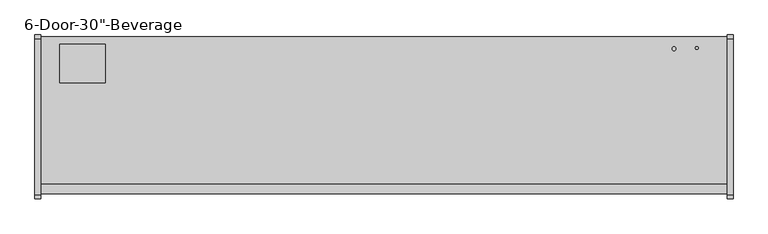
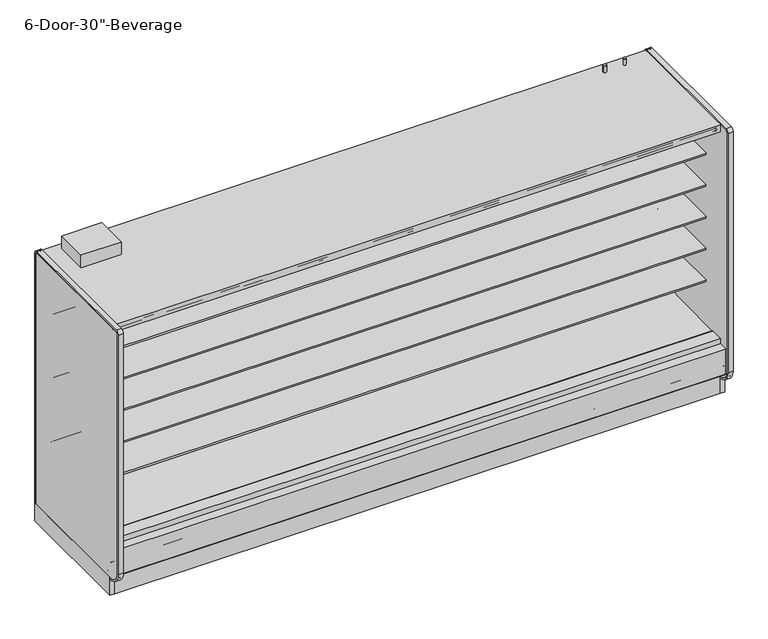
"""IFC4 building model written with IfcOpenShell, lengths in millimetres: proxy geometry."""

from ifc_helpers import new_model, si_unit, point, frame, frame_2d, origin, origin_with_axes, place, context, project, spatial, polyline, circle_curve, trimmed, segment, composite_curve, outline, extrude, source, transform, mapped, element, save
from ifc_brep_helpers import plane_surface, cylinder_surface, revolved_surface, advanced_brep


def proxy_34c1f638(model_context):
    return source(origin(), model_context, "Body", "SolidModel", [
        extrude(outline(polyline([(-1318.106026, 207.2507391), (-1305.4059832, 196.5941379), (-1305.4059832, 0.4239338), (-1318.106026, 0.4239338), (-1318.106026, 207.2507391)])), frame((0.0, 0.0, 0.0), z_axis=(1.0, 0.0, 0.0), x_axis=(0.0, 1.0, 0.0)), (0.0, 0.0, 1.0), 4572.0),
        extrude(outline(polyline([(0.0, -76.2), (0.0, 0.0), (304.8, 0.0), (304.8, -76.2), (0.0, -76.2)])), frame((304.8, -1257.8018226, 2069.9402149), z_axis=(0.0, 0.07985742909739812, 0.9968062956351922), x_axis=(-1.0, 0.0, 0.0)), (0.0, 0.0, 1.0), 12.7),
        extrude(outline(composite_curve([segment(polyline([(-1139.652044, 788.1304004), (-1139.652044, 801.6241504), (-453.852044, 801.6241504), (-453.852044, 700.8188557), (-465.2157046, 700.5975577)]), True, "CONTINUOUS"), segment(trimmed(circle_curve(frame_2d((-465.7036503, 725.6535856)), 25.0607786), [point((-465.2157046, 700.5975577))], [point((-481.6109729, 706.2886764))], False, "CARTESIAN"), True, "CONTINUOUS"), segment(polyline([(-481.6109729, 706.2886764), (-519.8326735, 737.3719449)]), True, "CONTINUOUS"), segment(trimmed(circle_curve(frame_2d((-559.8971466, 688.1064601)), 63.5), [point((-519.8326735, 737.3719449))], [point((-553.0441372, 751.2355839))], True, "CARTESIAN"), True, "CONTINUOUS"), segment(polyline([(-553.0441372, 751.2355839), (-968.6518104, 783.846074), (-968.6518104, 788.1304004), (-1139.652044, 788.1304004)]), True, "CONTINUOUS")], self_intersect=False)), frame((0.0, 0.0, 0.0), z_axis=(1.0, 0.0, 0.0), x_axis=(0.0, 1.0, 0.0)), (0.0, 0.0, 1.0), 4572.0),
        extrude(outline(composite_curve([segment(polyline([(-1139.652044, 1042.1304004), (-1139.652044, 1055.6241504), (-453.852044, 1055.6241504), (-453.852044, 954.8188557), (-465.2157046, 954.5975577)]), True, "CONTINUOUS"), segment(trimmed(circle_curve(frame_2d((-465.7036503, 979.6535856)), 25.0607786), [point((-465.2157046, 954.5975577))], [point((-481.6109729, 960.2886764))], False, "CARTESIAN"), True, "CONTINUOUS"), segment(polyline([(-481.6109729, 960.2886764), (-519.8326735, 991.3719449)]), True, "CONTINUOUS"), segment(trimmed(circle_curve(frame_2d((-559.8971466, 942.1064601)), 63.5), [point((-519.8326735, 991.3719449))], [point((-553.0441372, 1005.2355839))], True, "CARTESIAN"), True, "CONTINUOUS"), segment(polyline([(-553.0441372, 1005.2355839), (-968.6518104, 1037.846074), (-968.6518104, 1042.1304004), (-1139.652044, 1042.1304004)]), True, "CONTINUOUS")], self_intersect=False)), frame((0.0, 0.0, 0.0), z_axis=(1.0, 0.0, 0.0), x_axis=(0.0, 1.0, 0.0)), (0.0, 0.0, 1.0), 4572.0),
        extrude(outline(composite_curve([segment(polyline([(-1139.652044, 1296.1304004), (-1139.652044, 1309.6241504), (-453.852044, 1309.6241504), (-453.852044, 1208.8188557), (-465.2157046, 1208.5975577)]), True, "CONTINUOUS"), segment(trimmed(circle_curve(frame_2d((-465.7036503, 1233.6535856)), 25.0607786), [point((-465.2157046, 1208.5975577))], [point((-481.6109729, 1214.2886764))], False, "CARTESIAN"), True, "CONTINUOUS"), segment(polyline([(-481.6109729, 1214.2886764), (-519.8326735, 1245.3719449)]), True, "CONTINUOUS"), segment(trimmed(circle_curve(frame_2d((-559.8971466, 1196.1064601)), 63.5), [point((-519.8326735, 1245.3719449))], [point((-553.0441372, 1259.2355839))], True, "CARTESIAN"), True, "CONTINUOUS"), segment(polyline([(-553.0441372, 1259.2355839), (-968.6518104, 1291.846074), (-968.6518104, 1296.1304004), (-1139.652044, 1296.1304004)]), True, "CONTINUOUS")], self_intersect=False)), frame((0.0, 0.0, 0.0), z_axis=(1.0, 0.0, 0.0), x_axis=(0.0, 1.0, 0.0)), (0.0, 0.0, 1.0), 4572.0),
        extrude(outline(composite_curve([segment(polyline([(-1139.652044, 1550.1304004), (-1139.652044, 1563.6241504), (-453.852044, 1563.6241504), (-453.852044, 1462.8188557), (-465.2157046, 1462.5975577)]), True, "CONTINUOUS"), segment(trimmed(circle_curve(frame_2d((-465.7036503, 1487.6535856)), 25.0607786), [point((-465.2157046, 1462.5975577))], [point((-481.6109729, 1468.2886764))], False, "CARTESIAN"), True, "CONTINUOUS"), segment(polyline([(-481.6109729, 1468.2886764), (-519.8326735, 1499.3719449)]), True, "CONTINUOUS"), segment(trimmed(circle_curve(frame_2d((-559.8971466, 1450.1064601)), 63.5), [point((-519.8326735, 1499.3719449))], [point((-553.0441372, 1513.2355839))], True, "CARTESIAN"), True, "CONTINUOUS"), segment(polyline([(-553.0441372, 1513.2355839), (-968.6518104, 1545.846074), (-968.6518104, 1550.1304004), (-1139.652044, 1550.1304004)]), True, "CONTINUOUS")], self_intersect=False)), frame((0.0, 0.0, 0.0), z_axis=(1.0, 0.0, 0.0), x_axis=(0.0, 1.0, 0.0)), (0.0, 0.0, 1.0), 4572.0),
        extrude(outline(composite_curve([segment(polyline([(-1179.8089716, 2076.7249354), (-1179.8089716, 2078.925392), (-1258.0451873, 2084.3962012), (-1258.0451873, 2075.9223079)]), True, "CONTINUOUS"), segment(trimmed(circle_curve(frame_2d((-1260.5851873, 2075.9223079)), 2.54), [point((-1258.0451873, 2075.9223079))], [point((-1260.5851873, 2073.3823079))], False, "CARTESIAN"), True, "CONTINUOUS"), segment(polyline([(-1260.5851873, 2073.3823079), (-1269.8053873, 2073.3823079)]), True, "CONTINUOUS"), segment(trimmed(circle_curve(frame_2d((-1269.8053873, 2075.9223079)), 2.54), [point((-1269.8053873, 2073.3823079))], [point((-1272.3453873, 2075.9223079))], False, "CARTESIAN"), True, "CONTINUOUS"), segment(polyline([(-1272.3453873, 2075.9223079), (-1272.3453873, 2092.9469554)]), True, "CONTINUOUS"), segment(trimmed(circle_curve(frame_2d((-1274.8853873, 2092.9469554)), 2.54), [point((-1272.3453873, 2092.9469554))], [point((-1274.8853873, 2095.4869554))], True, "CARTESIAN"), True, "CONTINUOUS"), segment(polyline([(-1274.8853873, 2095.4869554), (-1288.8553873, 2095.4869554)]), True, "CONTINUOUS"), segment(trimmed(circle_curve(frame_2d((-1288.8553873, 2098.0269554)), 2.54), [point((-1288.8553873, 2095.4869554))], [point((-1291.3953873, 2098.0269554))], False, "CARTESIAN"), True, "CONTINUOUS"), segment(polyline([(-1291.3953873, 2098.0269554), (-1291.3953873, 2102.7701079), (-402.3474764, 2102.7701079), (-402.3474764, 418.2554484), (-453.852044, 418.2554484), (-453.852044, 2076.7249354), (-1179.8089716, 2076.7249354)]), True, "CONTINUOUS")], self_intersect=False)), frame((0.0, 0.0, 0.0), z_axis=(1.0, 0.0, 0.0), x_axis=(0.0, 1.0, 0.0)), (0.0, 0.0, 1.0), 4572.0),
        advanced_brep(
        [(4572.0, -1318.106026, 204.9450868), (4572.0, -1318.106026, 0.0), (4572.0, -1156.1809832, 0.0), (4572.0, -1156.1809832, 130.5306), (4572.0, -1226.6745247, 130.5306), (4572.0, -1377.1737273, 256.8144254), (4572.0, -1377.1737273, 391.9982), (4572.0, -1326.8776974, 391.9982), (4572.0, -1326.8776974, 404.6728), (4572.0, -1393.9631273, 404.6728), (4572.0, -1393.9631273, 201.3982889), (4572.0, -1384.4389382, 195.8985595), (4572.0, -1339.6997646, 221.7199387), (0.0, -1318.106026, 204.9450868), (0.0, -1339.6997646, 221.7199387), (0.0, -1384.4389382, 195.8985595), (0.0, -1393.9631273, 201.3982889), (0.0, -1393.9631273, 404.6728), (0.0, -1326.8776974, 404.6728), (0.0, -1326.8776974, 391.9982), (0.0, -1377.1737273, 391.9982), (0.0, -1377.1737273, 256.8144254), (0.0, -1226.6745247, 130.5306), (0.0, -1156.1809832, 130.5306), (0.0, -1156.1809832, 0.0), (0.0, -1318.106026, 0.0), (677.9753763, -1301.1164467, 0.0), (677.9753763, -1203.5310315, 0.0), (363.1798722, -1203.5310315, 0.0), (363.1798722, -1301.1164467, 0.0), (677.9753763, -1301.1164467, 50.8), (677.9753763, -1203.5310315, 50.8), (363.1798722, -1203.5310315, 50.8), (363.1798722, -1301.1164467, 50.8)],
        [
            (0, 1),
            (1, 2),
            (2, 3),
            (3, 4),
            (4, 5),
            (5, 6),
            (6, 7),
            (7, 8),
            (8, 9),
            (9, 10),
            (10, 11, circle_curve(frame((4572.0, -1387.6131273, 201.3982889), z_axis=(1.0, 0.0, 0.0), x_axis=(0.0, 1.0, 0.0)), 6.35)),
            (11, 12),
            (12, 0),
            (13, 14),
            (14, 15),
            (15, 16, circle_curve(frame((0.0, -1387.6131273, 201.3982889), z_axis=(-1.0, 0.0, 0.0), x_axis=(0.0, 1.0, 0.0)), 6.35)),
            (16, 17),
            (17, 18),
            (18, 19),
            (19, 20),
            (20, 21),
            (21, 22),
            (22, 23),
            (23, 24),
            (24, 25),
            (25, 13),
            (0, 13),
            (25, 1),
            (24, 2),
            (26, 27),
            (27, 28),
            (28, 29),
            (29, 26),
            (23, 3),
            (22, 4),
            (21, 5),
            (20, 6),
            (19, 7),
            (18, 8),
            (17, 9),
            (16, 10),
            (15, 11),
            (14, 12),
            (26, 30),
            (30, 31),
            (31, 27),
            (28, 32),
            (32, 33),
            (33, 29),
            (31, 32),
            (30, 33),
        ],
        [
            plane_surface(frame((4572.0, -1318.106026, 0.0), z_axis=(1.0, 0.0, 0.0), x_axis=(0.0, 0.0, -1.0))),
            plane_surface(frame((0.0, -1318.106026, 0.0), z_axis=(-1.0, 0.0, 0.0), x_axis=(0.0, 0.0, 1.0))),
            plane_surface(frame((4572.0, -1318.106026, 204.9450868), z_axis=(0.0, -1.0, 0.0), x_axis=(-1.0, 0.0, 0.0))),
            plane_surface(frame((4572.0, -1318.106026, 0.0), z_axis=(0.0, 0.0, -1.0), x_axis=(-1.0, 0.0, 0.0))),
            plane_surface(frame((4572.0, -1156.1809832, 0.0), z_axis=(0.0, 1.0, 0.0), x_axis=(-1.0, 0.0, 0.0))),
            plane_surface(frame((4572.0, -1156.1809832, 130.5306), z_axis=(0.0, 0.0, 1.0), x_axis=(-1.0, 0.0, 0.0))),
            plane_surface(frame((4572.0, -1226.6745247, 130.5306), z_axis=(0.0, 0.6427876096877188, 0.7660444431179884), x_axis=(-1.0, 0.0, 0.0))),
            plane_surface(frame((4572.0, -1377.1737273, 256.8144254), z_axis=(0.0, 1.0, 0.0), x_axis=(-1.0, 0.0, 0.0))),
            plane_surface(frame((4572.0, -1377.1737273, 391.9982), z_axis=(0.0, 0.0, -1.0), x_axis=(-1.0, 0.0, 0.0))),
            plane_surface(frame((4572.0, -1326.8776974, 391.9982), z_axis=(0.0, 1.0, 0.0), x_axis=(-1.0, 0.0, 0.0))),
            plane_surface(frame((4572.0, -1326.8776974, 404.6728), z_axis=(0.0, 0.0, 1.0), x_axis=(-1.0, 0.0, 0.0))),
            plane_surface(frame((4572.0, -1393.9631273, 404.6728), z_axis=(0.0, -1.0, 0.0), x_axis=(-1.0, 0.0, 0.0))),
            cylinder_surface(frame((0.0, -1387.6131273, 201.3982889), z_axis=(1.0, 0.0, 0.0), x_axis=(0.0, 1.0, 0.0)), 6.35),
            plane_surface(frame((4572.0, -1384.4389382, 195.8985595), z_axis=(0.0, 0.4998723022013517, -0.8660991175910068), x_axis=(-1.0, 0.0, 0.0))),
            plane_surface(frame((4572.0, -1339.6997646, 221.7199387), z_axis=(0.0, -0.6134784338805639, -0.7897114733644501), x_axis=(-1.0, 0.0, 0.0))),
            plane_surface(frame((677.9753763, -1207.3278954, 0.0), z_axis=(-1.0, 0.0, 0.0), x_axis=(0.0, 1.0, 0.0))),
            plane_surface(frame((363.1798722, -1207.3278954, 0.0), z_axis=(1.0, 0.0, 0.0), x_axis=(0.0, -1.0, 0.0))),
            plane_surface(frame((677.9753763, -1203.5310315, 0.0), z_axis=(0.0, -1.0, 0.0), x_axis=(-1.0, 0.0, 0.0))),
            plane_surface(frame((677.9753763, -1203.5310315, 50.8), z_axis=(0.0, 0.0, -1.0), x_axis=(-1.0, 0.0, 0.0))),
            plane_surface(frame((677.9753763, -1301.1164467, 50.8), z_axis=(0.0, 1.0, 0.0), x_axis=(-1.0, 0.0, 0.0))),
        ],
        [
            (0, [[1, 2, 3, 4, 5, 6, 7, 8, 9, 10, 11, 12, 13]]),
            (1, [[14, 15, 16, 17, 18, 19, 20, 21, 22, 23, 24, 25, 26]]),
            (2, [[-1, 27, -26, 28]]),
            (3, [[-2, -28, -25, 29], [30, 31, 32, 33]]),
            (4, [[-3, -29, -24, 34]]),
            (5, [[-4, -34, -23, 35]]),
            (6, [[-5, -35, -22, 36]]),
            (7, [[-6, -36, -21, 37]]),
            (8, [[-7, -37, -20, 38]]),
            (9, [[-8, -38, -19, 39]]),
            (10, [[-9, -39, -18, 40]]),
            (11, [[-10, -40, -17, 41]]),
            (12, [[-11, -41, -16, 42]]),
            (13, [[-12, -42, -15, 43]]),
            (14, [[-13, -43, -14, -27]]),
            (15, [[44, 45, 46, -30]]),
            (16, [[47, 48, 49, -32]]),
            (17, [[-46, 50, -47, -31]]),
            (18, [[-45, 51, -48, -50]]),
            (19, [[-44, -33, -49, -51]]),
        ],
    ),
        extrude(outline(composite_curve([segment(trimmed(circle_curve(frame_2d((354.0125, 4495.8)), 12.7), [point((341.3125, 4495.8))], [point((366.7125, 4495.8))], False, "CARTESIAN"), True, "CONTINUOUS"), segment(trimmed(circle_curve(frame_2d((354.0125, 4495.8)), 12.7), [point((366.7125, 4495.8))], [point((341.3125, 4495.8))], False, "CARTESIAN"), True, "CONTINUOUS")], self_intersect=False)), frame((0.0, -399.8071273, 0.0), z_axis=(0.0, 1.0, 0.0), x_axis=(0.0, 0.0, 1.0)), (0.0, 0.0, 1.0), 50.8),
        extrude(outline(composite_curve([segment(trimmed(circle_curve(frame_2d((354.0125, 4445.0)), 9.525), [point((344.4875, 4445.0))], [point((363.5375, 4445.0))], False, "CARTESIAN"), True, "CONTINUOUS"), segment(trimmed(circle_curve(frame_2d((354.0125, 4445.0)), 9.525), [point((363.5375, 4445.0))], [point((344.4875, 4445.0))], False, "CARTESIAN"), True, "CONTINUOUS")], self_intersect=False)), frame((0.0, -399.8071273, 0.0), z_axis=(0.0, 1.0, 0.0), x_axis=(0.0, 0.0, 1.0)), (0.0, 0.0, 1.0), 50.8),
        advanced_brep(
        [(4572.0, -349.0071273, 130.5306), (4572.0, -349.0071273, 2159.0692079), (4572.0, -1328.759197, 2159.0692079), (4572.0, -1328.759197, 2102.7701079), (4572.0, -402.3474764, 2102.7701079), (4572.0, -402.3474764, 358.6596808), (4572.0, -549.3331942, 211.7249958), (4572.0, -991.2928374, 196.2548056), (4572.0, -1033.515372, 165.5831237), (4572.0, -1035.4689267, 165.5149041), (4572.0, -1048.6488905, 157.9054484), (4572.0, -1108.9738905, 157.9054484), (4572.0, -1117.2097949, 162.6604501), (4572.0, -1119.3438463, 162.5859274), (4572.0, -1169.010644, 190.034038), (4572.0, -1325.2901974, 342.4428), (4572.0, -1325.2901974, 391.9982), (4572.0, -1377.1737273, 391.9982), (4572.0, -1377.1737273, 256.8144254), (4572.0, -1226.6745247, 130.5306), (0.0, -349.0071273, 130.5306), (0.0, -1226.6745247, 130.5306), (0.0, -1377.1737273, 256.8144254), (0.0, -1377.1737273, 391.9982), (0.0, -1325.2901974, 391.9982), (0.0, -1325.2901974, 342.4428), (0.0, -1169.010644, 190.034038), (0.0, -1119.3438463, 162.5859274), (0.0, -1117.2097949, 162.6604501), (0.0, -1108.9738905, 157.9054484), (0.0, -1048.6488905, 157.9054484), (0.0, -1035.4689267, 165.5149041), (0.0, -1033.515372, 165.5831237), (0.0, -991.2928374, 196.2548056), (0.0, -549.3331942, 211.7249958), (0.0, -402.3474764, 358.6596808), (0.0, -402.3474764, 2102.7701079), (0.0, -1328.759197, 2102.7701079), (0.0, -1328.759197, 2159.0692079), (0.0, -349.0071273, 2159.0692079), (4470.4, -349.0071273, 303.2125), (4470.4, -349.0071273, 404.8125), (4470.4, -399.8071273, 404.8125), (4470.4, -399.8071273, 303.2125)],
        [
            (0, 1),
            (1, 2),
            (2, 3),
            (3, 4),
            (4, 5),
            (5, 6, circle_curve(frame((4572.0, -554.6779329, 364.0573175), z_axis=(-1.0, 0.0, 0.0), x_axis=(0.0, 1.0, 0.0)), 152.4260557)),
            (6, 7),
            (7, 8),
            (8, 9),
            (9, 10),
            (10, 11),
            (11, 12),
            (12, 13),
            (13, 14),
            (14, 15, circle_curve(frame((4572.0, -1174.2931139, 340.9461144), z_axis=(-1.0, 0.0, 0.0), x_axis=(0.0, 1.0, 0.0)), 151.0045009)),
            (15, 16),
            (16, 17),
            (17, 18),
            (18, 19),
            (19, 0),
            (20, 21),
            (21, 22),
            (22, 23),
            (23, 24),
            (24, 25),
            (25, 26, circle_curve(frame((0.0, -1174.2931139, 340.9461144), z_axis=(1.0, 0.0, 0.0), x_axis=(0.0, 1.0, 0.0)), 151.0045009)),
            (26, 27),
            (27, 28),
            (28, 29),
            (29, 30),
            (30, 31),
            (31, 32),
            (32, 33),
            (33, 34),
            (34, 35, circle_curve(frame((0.0, -554.6779329, 364.0573175), z_axis=(1.0, 0.0, 0.0), x_axis=(0.0, 1.0, 0.0)), 152.4260557)),
            (35, 36),
            (36, 37),
            (37, 38),
            (38, 39),
            (39, 20),
            (0, 20),
            (39, 1),
            (40, 41, circle_curve(frame((4470.4, -349.0071273, 354.0125), z_axis=(0.0, -1.0, 0.0), x_axis=(0.0, 0.0, -1.0)), 50.8)),
            (41, 40, circle_curve(frame((4470.4, -349.0071273, 354.0125), z_axis=(0.0, -1.0, 0.0), x_axis=(0.0, 0.0, -1.0)), 50.8)),
            (38, 2),
            (37, 3),
            (36, 4),
            (6, 34),
            (33, 7),
            (32, 8),
            (31, 9),
            (30, 10),
            (29, 11),
            (28, 12),
            (27, 13),
            (26, 14),
            (25, 15),
            (24, 16),
            (23, 17),
            (22, 18),
            (21, 19),
            (35, 5),
            (42, 43, circle_curve(frame((4470.4, -399.8071273, 354.0125), z_axis=(0.0, 1.0, 0.0), x_axis=(0.0, 0.0, -1.0)), 50.8)),
            (43, 42, circle_curve(frame((4470.4, -399.8071273, 354.0125), z_axis=(0.0, 1.0, 0.0), x_axis=(0.0, 0.0, -1.0)), 50.8)),
            (42, 41),
            (40, 43),
        ],
        [
            plane_surface(frame((4572.0, -349.0071273, 2154.3067079), z_axis=(1.0, 0.0, 0.0), x_axis=(0.0, 0.0, 1.0))),
            plane_surface(frame((0.0, -349.0071273, 2154.3067079), z_axis=(-1.0, 0.0, 0.0), x_axis=(0.0, 0.0, -1.0))),
            plane_surface(frame((4572.0, -349.0071273, 130.5306), z_axis=(0.0, 1.0, 0.0), x_axis=(-1.0, 0.0, 0.0))),
            plane_surface(frame((4572.0, -349.0071273, 2159.0692079), z_axis=(0.0, 0.0, 1.0), x_axis=(-1.0, 0.0, 0.0))),
            plane_surface(frame((4572.0, -1328.759197, 2159.0692079), z_axis=(0.0, -1.0, 0.0), x_axis=(-1.0, 0.0, 0.0))),
            plane_surface(frame((4572.0, -1328.759197, 2102.7701079), z_axis=(0.0, 0.0, -1.0), x_axis=(-1.0, 0.0, 0.0))),
            plane_surface(frame((4572.0, -549.3331942, 211.7249958), z_axis=(0.0, -0.03498220179415916, 0.9993879354673203), x_axis=(-1.0, 0.0, 0.0))),
            plane_surface(frame((4572.0, -991.2928374, 196.2548056), z_axis=(0.0, -0.5877252382161511, 0.8090605937528836), x_axis=(-1.0, 0.0, 0.0))),
            plane_surface(frame((4572.0, -1033.515372, 165.5831237), z_axis=(0.0, -0.034899496717989933, 0.9993908270185549), x_axis=(-1.0, 0.0, 0.0))),
            plane_surface(frame((4572.0, -1035.4689267, 165.5149041), z_axis=(0.0, -0.5000000000128472, 0.8660254037770214), x_axis=(-1.0, 0.0, 0.0))),
            plane_surface(frame((4572.0, -1048.6488905, 157.9054484), z_axis=(0.0, 0.0, 1.0), x_axis=(-1.0, 0.0, 0.0))),
            plane_surface(frame((4572.0, -1108.9738905, 157.9054484), z_axis=(0.0, 0.49999999998692984, 0.8660254037919848), x_axis=(-1.0, 0.0, 0.0))),
            plane_surface(frame((4572.0, -1117.2097949, 162.6604501), z_axis=(0.0, -0.03489949671806632, 0.9993908270185522), x_axis=(-1.0, 0.0, 0.0))),
            plane_surface(frame((4572.0, -1119.3438463, 162.5859274), z_axis=(0.0, 0.483695152932422, 0.8752365389023021), x_axis=(-1.0, 0.0, 0.0))),
            revolved_surface(polyline([(0.0, -1023.2886129999999, 340.9461144), (4572.0, -1023.2886129999999, 340.9461144)]), (0.0, -1174.2931139, 340.9461144), (-1.0, 0.0, 0.0)),
            plane_surface(frame((4572.0, -1325.2901974, 342.4428), z_axis=(0.0, 1.0, 0.0), x_axis=(-1.0, 0.0, 0.0))),
            plane_surface(frame((4572.0, -1325.2901974, 391.9982), z_axis=(0.0, 0.0, 1.0), x_axis=(-1.0, 0.0, 0.0))),
            plane_surface(frame((4572.0, -1377.1737273, 391.9982), z_axis=(0.0, -1.0, 0.0), x_axis=(-1.0, 0.0, 0.0))),
            plane_surface(frame((4572.0, -1377.1737273, 256.8144254), z_axis=(0.0, -0.6427876096877191, -0.7660444431179881), x_axis=(-1.0, 0.0, 0.0))),
            plane_surface(frame((4572.0, -1226.6745247, 130.5306), z_axis=(0.0, 0.0, -1.0), x_axis=(-1.0, 0.0, 0.0))),
            plane_surface(frame((4572.0, -402.3474764, 2102.7701079), z_axis=(0.0, -1.0, 0.0), x_axis=(-1.0, 0.0, 0.0))),
            revolved_surface(polyline([(0.0, -402.25187719999997, 364.0573175), (4572.0, -402.25187719999997, 364.0573175)]), (0.0, -554.6779329, 364.0573175), (-1.0, 0.0, 0.0)),
            plane_surface(frame((4470.4, -399.8071273, 303.2125), z_axis=(0.0, 1.0, 0.0), x_axis=(1.0, 0.0, 0.0))),
            revolved_surface(polyline([(4470.4, -349.0071273, 303.2125), (4470.4, -399.8071273, 303.2125)]), (4470.4, -399.8071273, 354.0125), (0.0, 1.0, 0.0)),
        ],
        [
            (0, [[1, 2, 3, 4, 5, 6, 7, 8, 9, 10, 11, 12, 13, 14, 15, 16, 17, 18, 19, 20]]),
            (1, [[21, 22, 23, 24, 25, 26, 27, 28, 29, 30, 31, 32, 33, 34, 35, 36, 37, 38, 39, 40]]),
            (2, [[-1, 41, -40, 42], [43, 44]]),
            (3, [[-2, -42, -39, 45]]),
            (4, [[-3, -45, -38, 46]]),
            (5, [[-4, -46, -37, 47]]),
            (6, [[-7, 48, -34, 49]]),
            (7, [[-8, -49, -33, 50]]),
            (8, [[-9, -50, -32, 51]]),
            (9, [[-10, -51, -31, 52]]),
            (10, [[-11, -52, -30, 53]]),
            (11, [[-12, -53, -29, 54]]),
            (12, [[-13, -54, -28, 55]]),
            (13, [[-14, -55, -27, 56]]),
            (14, [[-15, -56, -26, 57]]),
            (15, [[-16, -57, -25, 58]]),
            (16, [[-17, -58, -24, 59]]),
            (17, [[-18, -59, -23, 60]]),
            (18, [[-19, -60, -22, 61]]),
            (19, [[-20, -61, -21, -41]]),
            (20, [[-5, -47, -36, 62]]),
            (21, [[-6, -62, -35, -48]]),
            (22, [[63, 64]]),
            (23, [[-63, 65, -43, 66]]),
            (23, [[-64, -66, -44, -65]]),
        ],
    ),
        advanced_brep(
        [(4572.0, -349.0071273, 0.0), (4572.0, -349.0071273, 130.5306), (4572.0, -1156.1809832, 130.5306), (4572.0, -1156.1809832, 0.0), (4572.0, -1108.6576273, 0.0), (4572.0, -1108.6576273, 74.8810382), (4572.0, -394.2191273, 74.8810382), (4572.0, -394.2191273, 0.0), (0.0, -349.0071273, 0.0), (0.0, -394.2191273, 0.0), (0.0, -394.2191273, 74.8810382), (0.0, -1108.6576273, 74.8810382), (0.0, -1108.6576273, 0.0), (0.0, -1156.1809832, 0.0), (0.0, -1156.1809832, 130.5306), (0.0, -349.0071273, 130.5306), (2249.9092567, -1108.6576273, 74.8810382), (2249.9092567, -1108.6576273, 127.0), (2322.0907433, -1108.6576273, 127.0), (2322.0907433, -1108.6576273, 74.8810382), (2420.0570331, -1108.6576273, 74.8810382), (2420.0570331, -1108.6576273, 127.0), (2498.0179669, -1108.6576273, 127.0), (2498.0179669, -1108.6576273, 74.8810382)],
        [
            (0, 1),
            (1, 2),
            (2, 3),
            (3, 4),
            (4, 5),
            (5, 6),
            (6, 7),
            (7, 0),
            (8, 9),
            (9, 10),
            (10, 11),
            (11, 12),
            (12, 13),
            (13, 14),
            (14, 15),
            (15, 8),
            (0, 8),
            (15, 1),
            (4, 12),
            (11, 16),
            (16, 17),
            (17, 18),
            (18, 19),
            (19, 20),
            (20, 21),
            (21, 22),
            (22, 23),
            (23, 5),
            (23, 20, circle_curve(frame((2459.0375, -1076.0821273, 74.8810382), z_axis=(0.0, 0.0, 1.0), x_axis=(1.0, 0.0, 0.0)), 50.8)),
            (19, 16, circle_curve(frame((2286.0, -1072.9071273, 74.8810382), z_axis=(0.0, 0.0, 1.0), x_axis=(1.0, 0.0, 0.0)), 50.8)),
            (10, 6),
            (9, 7),
            (17, 18, circle_curve(frame((2286.0, -1072.9071273, 127.0), z_axis=(0.0, 0.0, -1.0), x_axis=(1.0, 0.0, 0.0)), 50.8)),
            (21, 22, circle_curve(frame((2459.0375, -1076.0821273, 127.0), z_axis=(0.0, 0.0, -1.0), x_axis=(1.0, 0.0, 0.0)), 50.8)),
            (14, 2),
            (13, 3),
        ],
        [
            plane_surface(frame((4572.0, -349.0071273, 2438.4), z_axis=(1.0, 0.0, 0.0), x_axis=(0.0, 0.0, 1.0))),
            plane_surface(frame((0.0, -349.0071273, 2438.4), z_axis=(-1.0, 0.0, 0.0), x_axis=(0.0, 0.0, -1.0))),
            plane_surface(frame((4572.0, -349.0071273, 0.0), z_axis=(0.0, 1.0, 0.0), x_axis=(-1.0, 0.0, 0.0))),
            plane_surface(frame((4572.0, -1108.6576273, 0.0), z_axis=(0.0, 1.0, 0.0), x_axis=(-1.0, 0.0, 0.0))),
            plane_surface(frame((4572.0, -1108.6576273, 74.8810382), z_axis=(0.0, 0.0, -1.0), x_axis=(-1.0, 0.0, 0.0))),
            plane_surface(frame((4572.0, -394.2191273, 74.8810382), z_axis=(0.0, -1.0, 0.0), x_axis=(-1.0, 0.0, 0.0))),
            plane_surface(frame((4572.0, -394.2191273, 0.0), z_axis=(0.0, 0.0, -1.0), x_axis=(-1.0, 0.0, 0.0))),
            plane_surface(frame((2322.0907433, -1108.6576273, 127.0), z_axis=(0.0, 0.0, -1.0), x_axis=(1.0, 0.0, 0.0))),
            revolved_surface(polyline([(2336.8, -1072.9071273, 127.0), (2336.8, -1072.9071273, 74.8810382)]), (2286.0, -1072.9071273, 0.0), (0.0, 0.0, 1.0)),
            plane_surface(frame((2498.0179669, -1108.6576273, 127.0), z_axis=(0.0, 0.0, -1.0), x_axis=(1.0, 0.0, 0.0))),
            revolved_surface(polyline([(2509.8375, -1076.0821273, 127.0), (2509.8375, -1076.0821273, 74.8810382)]), (2459.0375, -1076.0821273, 0.0), (0.0, 0.0, 1.0)),
            plane_surface(frame((4572.0, -349.0071273, 130.5306), z_axis=(0.0, 0.0, 1.0), x_axis=(-1.0, 0.0, 0.0))),
            plane_surface(frame((4572.0, -1156.1809832, 130.5306), z_axis=(0.0, -1.0, 0.0), x_axis=(-1.0, 0.0, 0.0))),
            plane_surface(frame((4572.0, -1156.1809832, 0.0), z_axis=(0.0, 0.0, -1.0), x_axis=(-1.0, 0.0, 0.0))),
        ],
        [
            (0, [[1, 2, 3, 4, 5, 6, 7, 8]]),
            (1, [[9, 10, 11, 12, 13, 14, 15, 16]]),
            (2, [[-1, 17, -16, 18]]),
            (3, [[-5, 19, -12, 20, 21, 22, 23, 24, 25, 26, 27, 28]]),
            (4, [[-6, -28, 29, -24, 30, -20, -11, 31]]),
            (5, [[-7, -31, -10, 32]]),
            (6, [[-8, -32, -9, -17]]),
            (7, [[33, -22]]),
            (8, [[-33, -21, -30, -23]]),
            (9, [[34, -26]]),
            (10, [[-34, -25, -29, -27]]),
            (11, [[-2, -18, -15, 35]]),
            (12, [[-3, -35, -14, 36]]),
            (13, [[-19, -4, -36, -13]]),
        ],
    ),
        extrude(outline(composite_curve([segment(polyline([(-1139.652044, 1803.3473276), (-1139.652044, 1816.8410776), (-453.852044, 1816.8410776), (-453.852044, 1716.035783), (-465.2157046, 1715.814485)]), True, "CONTINUOUS"), segment(trimmed(circle_curve(frame_2d((-465.7036503, 1740.8705128)), 25.0607786), [point((-465.2157046, 1715.814485))], [point((-481.6109729, 1721.5056036))], False, "CARTESIAN"), True, "CONTINUOUS"), segment(polyline([(-481.6109729, 1721.5056036), (-519.8326735, 1752.5888722)]), True, "CONTINUOUS"), segment(trimmed(circle_curve(frame_2d((-559.8971466, 1703.3233874)), 63.5), [point((-519.8326735, 1752.5888722))], [point((-553.0441372, 1766.4525111))], True, "CARTESIAN"), True, "CONTINUOUS"), segment(polyline([(-553.0441372, 1766.4525111), (-968.6518104, 1799.0630012), (-968.6518104, 1803.3473276), (-1139.652044, 1803.3473276)]), True, "CONTINUOUS")], self_intersect=False)), frame((0.0, 0.0, 0.0), z_axis=(1.0, 0.0, 0.0), x_axis=(0.0, 1.0, 0.0)), (0.0, 0.0, 1.0), 4572.0),
        extrude(outline(polyline([(431.8, -399.8071273), (431.8, -653.8071273), (127.0, -653.8071273), (127.0, -399.8071273), (431.8, -399.8071273)])), frame((0.0, 0.0, 2159.6880358), z_axis=(0.0, 0.0, 1.0), x_axis=(1.0, 0.0, 0.0)), (0.0, 0.0, 1.0), 100.8085772),
        extrude(outline(composite_curve([segment(polyline([(-453.852044, 452.2592331), (-453.852044, 418.2554484), (-402.3474764, 418.2554484), (-402.3474764, 358.6596808)]), True, "CONTINUOUS"), segment(trimmed(circle_curve(frame_2d((-554.6779329, 364.0573175)), 152.4260557), [point((-402.3474764, 358.6596808))], [point((-549.3331942, 211.7249958))], False, "CARTESIAN"), True, "CONTINUOUS"), segment(polyline([(-549.3331942, 211.7249958), (-991.2928374, 196.2548056), (-1033.515372, 165.5831237), (-1035.4689267, 165.5149041), (-1048.6488905, 157.9054484), (-1108.9738905, 157.9054484), (-1117.2097949, 162.6604501), (-1119.3438463, 162.5859274), (-1169.010644, 190.034038)]), True, "CONTINUOUS"), segment(trimmed(circle_curve(frame_2d((-1174.2931139, 340.9461144)), 151.0045009), [point((-1169.010644, 190.034038))], [point((-1325.2901974, 342.4428))], False, "CARTESIAN"), True, "CONTINUOUS"), segment(polyline([(-1325.2901974, 342.4428), (-1325.2901974, 391.9982), (-1326.8776974, 391.9982), (-1326.8776974, 447.5353), (-1227.4661273, 447.5353)]), True, "CONTINUOUS"), segment(trimmed(circle_curve(frame_2d((-1227.4661273, 445.4779)), 2.0574), [point((-1227.4661273, 447.5353))], [point((-1225.4087273, 445.4779))], False, "CARTESIAN"), True, "CONTINUOUS"), segment(polyline([(-1225.4087273, 445.4779), (-1225.4087273, 438.3756667), (-453.852044, 452.2592331)]), True, "CONTINUOUS")], self_intersect=False)), frame((0.0, 0.0, 0.0), z_axis=(1.0, 0.0, 0.0), x_axis=(0.0, 1.0, 0.0)), (0.0, 0.0, 1.0), 4572.0),
        extrude(outline(composite_curve([segment(trimmed(circle_curve(frame_2d((4368.8, -423.7684604)), 9.525), [point((4359.275, -423.7684604))], [point((4378.325, -423.7684604))], False, "CARTESIAN"), True, "CONTINUOUS"), segment(trimmed(circle_curve(frame_2d((4368.8, -423.7684604)), 9.525), [point((4378.325, -423.7684604))], [point((4359.275, -423.7684604))], False, "CARTESIAN"), True, "CONTINUOUS")], self_intersect=False)), frame((0.0, 0.0, 2160.6567079), z_axis=(0.0, 0.0, 1.0), x_axis=(1.0, 0.0, 0.0)), (0.0, 0.0, 1.0), 50.8),
        extrude(outline(composite_curve([segment(trimmed(circle_curve(frame_2d((4216.4, -428.3821273)), 12.7), [point((4203.7, -428.3821273))], [point((4229.1, -428.3821273))], False, "CARTESIAN"), True, "CONTINUOUS"), segment(trimmed(circle_curve(frame_2d((4216.4, -428.3821273)), 12.7), [point((4229.1, -428.3821273))], [point((4203.7, -428.3821273))], False, "CARTESIAN"), True, "CONTINUOUS")], self_intersect=False)), frame((0.0, 0.0, 2160.6567079), z_axis=(0.0, 0.0, 1.0), x_axis=(1.0, 0.0, 0.0)), (0.0, 0.0, 1.0), 50.8),
        extrude(outline(composite_curve([segment(trimmed(circle_curve(frame_2d((-1325.3196273, 232.1306)), 88.9), [point((-1414.2196273, 232.1306))], [point((-1325.3196273, 143.2306))], True, "CARTESIAN"), True, "CONTINUOUS"), segment(polyline([(-1325.3196273, 143.2306), (-1318.106026, 143.2306), (-1318.106026, 130.7870064)]), True, "CONTINUOUS"), segment(trimmed(circle_curve(frame_2d((-1325.3196273, 232.1306)), 101.6), [point((-1318.106026, 130.7870064))], [point((-1426.9196273, 232.1306))], False, "CARTESIAN"), True, "CONTINUOUS"), segment(polyline([(-1426.9196273, 232.1306), (-1426.9196273, 2146.3692079)]), True, "CONTINUOUS"), segment(trimmed(circle_curve(frame_2d((-1401.5196273, 2146.3692079)), 25.4), [point((-1426.9196273, 2146.3692079))], [point((-1401.5196273, 2171.7692079))], False, "CARTESIAN"), True, "CONTINUOUS"), segment(polyline([(-1401.5196273, 2171.7692079), (-361.7071273, 2171.7692079)]), True, "CONTINUOUS"), segment(trimmed(circle_curve(frame_2d((-361.7071273, 2146.3692079)), 25.4), [point((-361.7071273, 2171.7692079))], [point((-336.3071273, 2146.3692079))], False, "CARTESIAN"), True, "CONTINUOUS"), segment(polyline([(-336.3071273, 2146.3692079), (-336.3071273, 143.2306), (-349.0071273, 143.2306), (-349.0071273, 2146.3692079)]), True, "CONTINUOUS"), segment(trimmed(circle_curve(frame_2d((-361.7071273, 2146.3692079)), 12.7), [point((-349.0071273, 2146.3692079))], [point((-361.7071273, 2159.0692079))], True, "CARTESIAN"), True, "CONTINUOUS"), segment(polyline([(-361.7071273, 2159.0692079), (-1401.5196273, 2159.0692079)]), True, "CONTINUOUS"), segment(trimmed(circle_curve(frame_2d((-1401.5196273, 2146.3692079)), 12.7), [point((-1401.5196273, 2159.0692079))], [point((-1414.2196273, 2146.3692079))], True, "CARTESIAN"), True, "CONTINUOUS"), segment(polyline([(-1414.2196273, 2146.3692079), (-1414.2196273, 232.1306)]), True, "CONTINUOUS")], self_intersect=False)), frame((4572.0, 0.0, 0.0), z_axis=(1.0, 0.0, 0.0), x_axis=(0.0, 1.0, 0.0)), (0.0, 0.0, 1.0), 38.1),
        extrude(outline(polyline([(4610.1, -336.3071273), (4610.1, -1318.106026), (4572.0, -1318.106026), (4572.0, -336.3071273), (4610.1, -336.3071273)])), origin_with_axes(), (0.0, 0.0, 1.0), 143.2306),
        extrude(outline(composite_curve([segment(polyline([(-1414.2196273, 232.1306), (-1414.2196273, 2146.3692079)]), True, "CONTINUOUS"), segment(trimmed(circle_curve(frame_2d((-1401.5196273, 2146.3692079)), 12.7), [point((-1414.2196273, 2146.3692079))], [point((-1401.5196273, 2159.0692079))], False, "CARTESIAN"), True, "CONTINUOUS"), segment(polyline([(-1401.5196273, 2159.0692079), (-361.7071273, 2159.0692079)]), True, "CONTINUOUS"), segment(trimmed(circle_curve(frame_2d((-361.7071273, 2146.3692079)), 12.7), [point((-361.7071273, 2159.0692079))], [point((-349.0071273, 2146.3692079))], False, "CARTESIAN"), True, "CONTINUOUS"), segment(polyline([(-349.0071273, 2146.3692079), (-349.0071273, 143.2306), (-1325.3196273, 143.2306)]), True, "CONTINUOUS"), segment(trimmed(circle_curve(frame_2d((-1325.3196273, 232.1306)), 88.9), [point((-1325.3196273, 143.2306))], [point((-1414.2196273, 232.1306))], False, "CARTESIAN"), True, "CONTINUOUS")], self_intersect=False)), frame((4572.0, 0.0, 0.0), z_axis=(1.0, 0.0, 0.0), x_axis=(0.0, 1.0, 0.0)), (0.0, 0.0, 1.0), 38.1),
        extrude(outline(composite_curve([segment(trimmed(circle_curve(frame_2d((-1325.3196273, 232.1306)), 88.9), [point((-1414.2196273, 232.1306))], [point((-1325.3196273, 143.2306))], True, "CARTESIAN"), True, "CONTINUOUS"), segment(polyline([(-1325.3196273, 143.2306), (-1318.106026, 143.2306), (-1318.106026, 130.7870064)]), True, "CONTINUOUS"), segment(trimmed(circle_curve(frame_2d((-1325.3196273, 232.1306)), 101.6), [point((-1318.106026, 130.7870064))], [point((-1426.9196273, 232.1306))], False, "CARTESIAN"), True, "CONTINUOUS"), segment(polyline([(-1426.9196273, 232.1306), (-1426.9196273, 2146.3692079)]), True, "CONTINUOUS"), segment(trimmed(circle_curve(frame_2d((-1401.5196273, 2146.3692079)), 25.4), [point((-1426.9196273, 2146.3692079))], [point((-1401.5196273, 2171.7692079))], False, "CARTESIAN"), True, "CONTINUOUS"), segment(polyline([(-1401.5196273, 2171.7692079), (-361.7071273, 2171.7692079)]), True, "CONTINUOUS"), segment(trimmed(circle_curve(frame_2d((-361.7071273, 2146.3692079)), 25.4), [point((-361.7071273, 2171.7692079))], [point((-336.3071273, 2146.3692079))], False, "CARTESIAN"), True, "CONTINUOUS"), segment(polyline([(-336.3071273, 2146.3692079), (-336.3071273, 143.2306), (-349.0071273, 143.2306), (-349.0071273, 2146.3692079)]), True, "CONTINUOUS"), segment(trimmed(circle_curve(frame_2d((-361.7071273, 2146.3692079)), 12.7), [point((-349.0071273, 2146.3692079))], [point((-361.7071273, 2159.0692079))], True, "CARTESIAN"), True, "CONTINUOUS"), segment(polyline([(-361.7071273, 2159.0692079), (-1401.5196273, 2159.0692079)]), True, "CONTINUOUS"), segment(trimmed(circle_curve(frame_2d((-1401.5196273, 2146.3692079)), 12.7), [point((-1401.5196273, 2159.0692079))], [point((-1414.2196273, 2146.3692079))], True, "CARTESIAN"), True, "CONTINUOUS"), segment(polyline([(-1414.2196273, 2146.3692079), (-1414.2196273, 232.1306)]), True, "CONTINUOUS")], self_intersect=False)), frame((-38.1, 0.0, 0.0), z_axis=(1.0, 0.0, 0.0), x_axis=(0.0, 1.0, 0.0)), (0.0, 0.0, 1.0), 38.1),
        extrude(outline(polyline([(673.1, -1207.3278954), (673.1, -1296.2278954), (368.3, -1296.2278954), (368.3, -1207.3278954), (673.1, -1207.3278954)])), frame((0.0, 0.0, 44.45), z_axis=(0.0, 0.0, 1.0), x_axis=(1.0, 0.0, 0.0)), (0.0, 0.0, 1.0), 6.35),
        extrude(outline(polyline([(0.0, -336.3071273), (0.0, -1318.106026), (-38.1, -1318.106026), (-38.1, -336.3071273), (0.0, -336.3071273)])), origin_with_axes(), (0.0, 0.0, 1.0), 143.2306),
        extrude(outline(composite_curve([segment(trimmed(circle_curve(frame_2d((2286.0, -1072.9071273)), 38.1), [point((2247.9, -1072.9071273))], [point((2324.1, -1072.9071273))], False, "CARTESIAN"), True, "CONTINUOUS"), segment(trimmed(circle_curve(frame_2d((2286.0, -1072.9071273)), 38.1), [point((2324.1, -1072.9071273))], [point((2247.9, -1072.9071273))], False, "CARTESIAN"), True, "CONTINUOUS")], self_intersect=False)), frame((0.0, 0.0, 61.2666507), z_axis=(0.0, 0.0, 1.0), x_axis=(1.0, 0.0, 0.0)), (0.0, 0.0, 1.0), 65.7333493),
        extrude(outline(composite_curve([segment(trimmed(circle_curve(frame_2d((2484.4375, -1076.0821273)), 12.7), [point((2471.7375, -1076.0821273))], [point((2497.1375, -1076.0821273))], False, "CARTESIAN"), True, "CONTINUOUS"), segment(trimmed(circle_curve(frame_2d((2484.4375, -1076.0821273)), 12.7), [point((2497.1375, -1076.0821273))], [point((2471.7375, -1076.0821273))], False, "CARTESIAN"), True, "CONTINUOUS")], self_intersect=False)), frame((0.0, 0.0, 61.2666507), z_axis=(0.0, 0.0, 1.0), x_axis=(1.0, 0.0, 0.0)), (0.0, 0.0, 1.0), 65.7333493),
        extrude(outline(composite_curve([segment(trimmed(circle_curve(frame_2d((2433.6375, -1076.0821273)), 9.525), [point((2424.1125, -1076.0821273))], [point((2443.1625, -1076.0821273))], False, "CARTESIAN"), True, "CONTINUOUS"), segment(trimmed(circle_curve(frame_2d((2433.6375, -1076.0821273)), 9.525), [point((2443.1625, -1076.0821273))], [point((2424.1125, -1076.0821273))], False, "CARTESIAN"), True, "CONTINUOUS")], self_intersect=False)), frame((0.0, 0.0, 61.2666507), z_axis=(0.0, 0.0, 1.0), x_axis=(1.0, 0.0, 0.0)), (0.0, 0.0, 1.0), 65.7333493),
        extrude(outline(composite_curve([segment(polyline([(-1414.2196273, 232.1306), (-1414.2196273, 2146.3692079)]), True, "CONTINUOUS"), segment(trimmed(circle_curve(frame_2d((-1401.5196273, 2146.3692079)), 12.7), [point((-1414.2196273, 2146.3692079))], [point((-1401.5196273, 2159.0692079))], False, "CARTESIAN"), True, "CONTINUOUS"), segment(polyline([(-1401.5196273, 2159.0692079), (-361.7071273, 2159.0692079)]), True, "CONTINUOUS"), segment(trimmed(circle_curve(frame_2d((-361.7071273, 2146.3692079)), 12.7), [point((-361.7071273, 2159.0692079))], [point((-349.0071273, 2146.3692079))], False, "CARTESIAN"), True, "CONTINUOUS"), segment(polyline([(-349.0071273, 2146.3692079), (-349.0071273, 143.2306), (-1325.3196273, 143.2306)]), True, "CONTINUOUS"), segment(trimmed(circle_curve(frame_2d((-1325.3196273, 232.1306)), 88.9), [point((-1325.3196273, 143.2306))], [point((-1414.2196273, 232.1306))], False, "CARTESIAN"), True, "CONTINUOUS")], self_intersect=False)), frame((-38.1, 0.0, 0.0), z_axis=(1.0, 0.0, 0.0), x_axis=(0.0, 1.0, 0.0)), (0.0, 0.0, 1.0), 38.1),
    ])


if __name__ == "__main__":
    model = new_model("IFC4")
    model_context = context("Model", 3, world=origin())
    ifc_project = project(units=[si_unit("LENGTHUNIT", "METRE", prefix="MILLI")], contexts=[model_context])
    site = spatial("IfcSite", under=ifc_project)
    building = spatial("IfcBuilding", under=site)
    placement = place(None, origin())
    proxy_shape = proxy_34c1f638(model_context)
    element("IfcBuildingElementProxy", 1, Name="6-Door-30\"-Beverage", ObjectType="6-Door-30\"-Beverage", at=placement, inside=building, context=model_context, shape_type="MappedRepresentation", body=[
        mapped(proxy_shape, transform((0.0, 0.0, 0.0), x_axis=(1.0, 0.0, 0.0), y_axis=(0.0, 1.0, 0.0), z_axis=(0.0, 0.0, 1.0))),
    ])
    save(model, "model.ifc")
